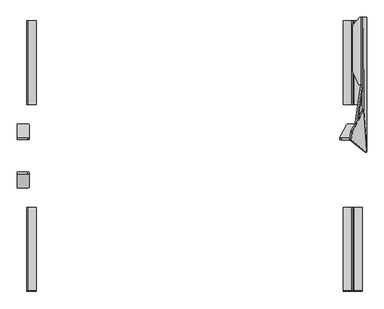
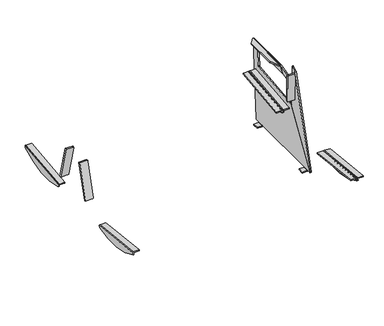
"""IFC4 building model written with IfcOpenShell, lengths in millimetres: furniture geometry."""

from ifc_helpers import new_model, si_unit, point, frame, frame_2d, origin, place, context, project, spatial, polyline, circle_curve, ellipse_curve, trimmed, segment, composite_curve, outline, extrude, source, transform, mapped, element, save
from ifc_brep_helpers import plane_surface, cylinder_surface, revolved_surface, advanced_brep


def furniture_98b977a5(model_context):
    return source(origin(), model_context, "Body", "SolidModel", [
        extrude(outline(composite_curve([segment(polyline([(-50.4131532, 0.0), (0.0, 0.0)]), True, "CONTINUOUS"), segment(trimmed(circle_curve(frame_2d((0.0, -8.0000001)), 8.0), [point((0.0, 0.0))], [point((7.9184089, -6.8603506))], False, "CARTESIAN"), True, "CONTINUOUS"), segment(polyline([(7.9184089, -6.8603506), (7.45034, -256.1095797)]), True, "CONTINUOUS"), segment(trimmed(circle_curve(frame_2d((-0.5496459, -256.0945564)), 8.0), [point((7.45034, -256.1095797))], [point((-0.5646692, -264.0945423))], False, "CARTESIAN"), True, "CONTINUOUS"), segment(polyline([(-0.5646692, -264.0945423), (-50.9089228, -264.0), (-50.4131532, 0.0)]), True, "CONTINUOUS")], self_intersect=False)), frame((-809.1212977, 506.2807973, 503.5014558), z_axis=(-0.0013631459484884157, 0.9642258427672697, 0.2650786033856215), x_axis=(0.9999973076401404, 0.0018121741131812883, -0.0014493920980689612)), (0.0, 0.0, 1.0), 8.5816086),
        extrude(outline(composite_curve([segment(polyline([(0.0, 0.0), (264.0004656, 0.0), (264.0004656, -50.3443424)]), True, "CONTINUOUS"), segment(trimmed(circle_curve(frame_2d((256.0004656, -50.3443424)), 8.0), [point((264.0004656, -50.3443424))], [point((256.0004656, -58.3443424))], False, "CARTESIAN"), True, "CONTINUOUS"), segment(polyline([(256.0004656, -58.3443424), (6.750797, -58.3443424)]), True, "CONTINUOUS"), segment(trimmed(circle_curve(frame_2d((7.9053145, -50.4280877)), 8.0), [point((6.750797, -58.3443424))], [point((-0.0946714, -50.4130643))], False, "CARTESIAN"), True, "CONTINUOUS"), segment(polyline([(-0.0946714, -50.4130643), (0.0, 0.0)]), True, "CONTINUOUS")], self_intersect=False)), frame((-859.5343152, 204.7655811, 503.5745242), z_axis=(-0.0013631459484884229, -0.9642258427672697, 0.2650786033856215), x_axis=(0.0, 0.265078849666105, 0.9642267386147796)), (0.0, 0.0, 1.0), 8.5816086),
        advanced_brep(
        [(755.0440225, 435.9391349, 757.8881152), (747.1427984, 438.3761853, 749.0639533), (783.301588, 504.0503298, 509.9877088), (791.2328587, 505.8544939, 503.3842593), (837.8982285, 505.7699279, 503.4518959), (800.2290396, 435.8572515, 757.9536062), (791.2451915, 514.5781595, 505.7825119), (783.3139208, 512.7739954, 512.3859614), (747.1551312, 447.0998509, 751.4622058), (755.0563553, 444.6628005, 760.2863677), (801.1905091, 444.5791971, 760.3532344), (838.8596981, 514.4918735, 505.8515241), (880.8633489, 372.9837171, 14.8944279), (881.5280215, 374.8544313, 11.2206695), (867.61676, 586.4127996, 409.5831251), (867.5760922, 586.0959716, 409.5484177), (866.2037222, 579.7045667, 413.8911008), (840.7909312, 532.5415564, 585.5886209), (840.7791117, 536.4031676, 590.6481205), (861.2994828, 682.484092, 590.4844823), (859.5577941, 708.971181, 640.3594265), (833.1217155, 520.6554233, 640.4138722), (832.2804167, 516.8962274, 643.2798026), (811.1014693, 477.5895695, 786.3705641), (810.120629, 472.7104158, 789.0752934), (806.2223905, 436.6873001, 778.499374), (806.2060941, 433.797321, 774.9426086), (872.9871313, 374.0891443, 14.0323223), (798.3298764, 434.9027483, 774.080503), (798.3461729, 437.7927273, 777.6372684), (802.2444113, 473.815843, 788.2131877), (803.2252516, 478.6949968, 785.5084585), (824.4041991, 518.0016547, 642.417697), (825.2454978, 521.7608506, 639.5517665), (851.6815764, 710.0766083, 639.4973209), (853.3932206, 684.0464283, 590.4827322), (832.653384, 536.4031676, 590.6481205), (832.6652035, 532.5415564, 585.5886209), (858.0779945, 579.7045667, 413.8911008), (859.4503645, 586.0959716, 409.5484177), (859.704087, 588.0726289, 409.7649535), (873.6518039, 375.9598585, 10.3585639)],
        [
            (0, 1, circle_curve(frame((755.0590458, 438.0597422, 750.1743095), z_axis=(-0.0013631459484884575, -0.9642258427672699, -0.26507860338562134), x_axis=(-0.14431455675225047, -0.2621142782788855, 0.9541852093968658)), 8.0)),
            (1, 2),
            (2, 3, circle_curve(frame((791.2178354, 503.7338866, 511.098065), z_axis=(-0.0013631459484884575, -0.9642258427672699, -0.26507860338562134), x_axis=(-0.14431455675225047, -0.2621142782788855, 0.9541852093968658)), 8.0)),
            (3, 4),
            (4, 5),
            (5, 0),
            (6, 7, circle_curve(frame((791.2301682, 512.4575522, 513.4963176), z_axis=(0.0013631459484884575, 0.9642258427672699, 0.26507860338562134), x_axis=(-0.14431455675225047, -0.2621142782788855, 0.9541852093968658)), 8.0)),
            (7, 8),
            (8, 9, circle_curve(frame((755.0713786, 446.7834078, 752.572562), z_axis=(0.0013631459484884575, 0.9642258427672699, 0.26507860338562134), x_axis=(-0.14431455675225047, -0.2621142782788855, 0.9541852093968658)), 8.0)),
            (9, 10),
            (10, 11),
            (11, 6),
            (0, 9),
            (8, 1),
            (7, 2),
            (6, 3),
            (11, 4),
            (5, 10),
            (12, 13, circle_curve(frame((881.4454916, 376.929862, 14.6358678), z_axis=(0.9845272064646956, -0.13817840671662612, 0.10776320173453142), x_axis=(0.10809843818608307, -0.005098251508800454, -0.9941271224009949)), 3.9972244)),
            (13, 14),
            (14, 15),
            (15, 16, ellipse_curve(frame((866.8370673, 585.4474378, 415.4685906), z_axis=(-0.9845272064646956, 0.13817840671662626, -0.10776320173453155), x_axis=(-0.17523178858535526, -0.7763454442639398, 0.6054598016712617)), 6.049187, 5.9555892)),
            (16, 17),
            (17, 18, ellipse_curve(frame((841.2163098, 536.3986868, 586.648123), z_axis=(-0.9845272064646956, 0.13817840671662626, -0.10776320173453155), x_axis=(-0.17523178858535526, -0.7763454442639398, 0.6054598016712617)), 4.0628639, 4.0)),
            (18, 19),
            (19, 20),
            (20, 21),
            (21, 22, circle_curve(frame((832.6950066, 520.7164752, 644.3905783), z_axis=(-0.9845272064646956, 0.13817840671662612, -0.10776320173453142), x_axis=(0.10809843818608307, -0.005098251508800454, -0.9941271224009949)), 4.0)),
            (22, 23),
            (23, 24, circle_curve(frame((810.6868794, 473.7693218, 785.2597883), z_axis=(0.9845272064646956, -0.13817840671662612, 0.10776320173453142), x_axis=(0.10809843818608307, -0.005098251508800454, -0.9941271224009949)), 4.0)),
            (24, 25),
            (25, 26, circle_curve(frame((806.788641, 437.7462061, 774.683869), z_axis=(0.9845272064646956, -0.13817840671662612, 0.10776320173453142), x_axis=(0.10809843818608307, -0.005098251508800454, -0.9941271224009949)), 4.0)),
            (26, 12),
            (27, 28),
            (28, 29, circle_curve(frame((798.9124233, 438.8516333, 773.8217633), z_axis=(-0.9845272064646956, 0.13817840671662612, -0.10776320173453142), x_axis=(0.10809843818608307, -0.005098251508800454, -0.9941271224009949)), 4.0)),
            (29, 30),
            (30, 31, circle_curve(frame((802.8106618, 474.8747491, 784.3976827), z_axis=(-0.9845272064646956, 0.13817840671662612, -0.10776320173453142), x_axis=(0.10809843818608307, -0.005098251508800454, -0.9941271224009949)), 4.0)),
            (31, 32),
            (32, 33, circle_curve(frame((824.8187889, 521.8219024, 643.5284727), z_axis=(0.9845272064646956, -0.13817840671662612, 0.10776320173453142), x_axis=(0.10809843818608307, -0.005098251508800454, -0.9941271224009949)), 4.0)),
            (33, 34),
            (34, 35),
            (35, 36),
            (36, 37, ellipse_curve(frame((833.0905821, 536.3986868, 586.648123), z_axis=(0.9845272064646956, -0.13817840671662626, 0.10776320173453155), x_axis=(-0.17523178858535526, -0.7763454442639398, 0.6054598016712617)), 4.0628639, 4.0)),
            (37, 38),
            (38, 39, ellipse_curve(frame((858.7113396, 585.4474378, 415.4685906), z_axis=(0.9845272064646956, -0.13817840671662626, 0.10776320173453155), x_axis=(-0.17523178858535526, -0.7763454442639398, 0.6054598016712617)), 6.049187, 5.9555892)),
            (39, 40),
            (40, 41),
            (41, 27, circle_curve(frame((873.5692739, 378.0352893, 13.7737622), z_axis=(-0.9845272064646956, 0.13817840671662612, -0.10776320173453142), x_axis=(0.10809843818608307, -0.005098251508800454, -0.9941271224009949)), 3.9972244)),
            (25, 29),
            (28, 26),
            (27, 12),
            (41, 13),
            (40, 14),
            (34, 20),
            (19, 35),
            (33, 21),
            (32, 22),
            (31, 23),
            (30, 24),
            (17, 37),
            (36, 18),
            (39, 15),
            (38, 16),
        ],
        [
            plane_surface(frame((753.9045293, 435.9628279, 757.8077911), z_axis=(-0.001363145948488416, -0.9642258427672699, -0.26507860338562156), x_axis=(-0.9895309245003536, 0.03955539485439854, -0.13879452509154708))),
            plane_surface(frame((753.9168621, 444.6864935, 760.2060437), z_axis=(0.001363145948488416, 0.9642258427672699, 0.26507860338562156), x_axis=(0.9895309245003536, -0.03955539485439854, 0.13879452509154708))),
            cylinder_surface(frame((755.0713786, 446.7834078, 752.572562), z_axis=(-0.0013631459484884575, -0.9642258427672699, -0.26507860338562134), x_axis=(-0.14431455675225047, -0.2621142782788855, 0.9541852093968658)), 8.0),
            plane_surface(frame((747.1427984, 438.3761853, 749.0639533), z_axis=(-0.9895309245003536, 0.03955539485439846, -0.1387945250915483), x_axis=(0.001363145948487992, 0.9642258427672696, 0.26507860338562167))),
            cylinder_surface(frame((791.2301682, 512.4575522, 513.4963176), z_axis=(-0.0013631459484884575, -0.9642258427672699, -0.26507860338562134), x_axis=(-0.14431455675225047, -0.2621142782788855, 0.9541852093968658)), 8.0),
            plane_surface(frame((791.2328587, 505.8544939, 503.3842593), z_axis=(0.001877909900275728, 0.26507591396566405, -0.9642257169821152), x_axis=(0.001363145948487992, 0.9642258427672696, 0.26507860338562167))),
            plane_surface(frame((803.1542615, 435.8519505, 757.957846), z_axis=(-0.001877909900271324, -0.26507591396566405, 0.9642257169821152), x_axis=(0.001363145948487992, 0.9642258427672696, 0.26507860338562167))),
            plane_surface(frame((881.8775853, 376.9094832, 10.6621186), z_axis=(0.9845272064646956, -0.13817840671662626, 0.10776320173453155), x_axis=(0.1379163057529902, 0.9903942324896726, 0.009917502641294951))),
            plane_surface(frame((874.0013676, 378.0149104, 9.800013), z_axis=(-0.9845272064646956, 0.13817840671662626, -0.10776320173453155), x_axis=(-0.1379163057529902, -0.9903942324896726, -0.009917502641294951))),
            cylinder_surface(frame((798.9124233, 438.8516333, 773.8217633), z_axis=(0.9845272064646956, -0.13817840671662612, 0.10776320173453142), x_axis=(0.10809843818608307, -0.005098251508800454, -0.9941271224009949)), 4.0),
            plane_surface(frame((806.2060941, 433.797321, 774.9426086), z_axis=(-0.14563671969423442, -0.9872212562883779, 0.06468490557386727), x_axis=(-0.9845272064646956, 0.13817840671662243, -0.10776320173453661))),
            cylinder_surface(frame((873.5692739, 378.0352893, 13.7737622), z_axis=(0.9845272064646956, -0.13817840671662612, 0.10776320173453142), x_axis=(0.10809843818608307, -0.005098251508800454, -0.9941271224009949)), 3.9972244),
            plane_surface(frame((881.5280215, 374.8544313, 11.2206695), z_axis=(0.17249891043919588, 0.872425040531916, -0.45729495355861444), x_axis=(-0.9845272064646962, 0.1381784067166225, -0.10776320173453191))),
            plane_surface(frame((859.5577941, 708.971181, 640.3594265), z_axis=(-0.10667723092490307, 0.015262962519211876, 0.9941765488972932), x_axis=(-0.9845272064646944, 0.13817840671663073, -0.10776320173453648))),
            revolved_surface(polyline([(825.251182622492, 521.8015093982107, 639.5519642070847), (833.1274003424797, 520.696082134896, 640.4140698284336)]), (824.8187889, 521.8219024, 643.5284727), (-0.9845272064646956, 0.13817840671662612, -0.10776320173453142)),
            plane_surface(frame((832.2804167, 516.8962274, 643.2798026), z_axis=(0.10364746347883977, 0.9550619256550327, 0.2776939348968641), x_axis=(-0.9845272064646956, 0.13817840671662243, -0.10776320173453661))),
            cylinder_surface(frame((802.8106618, 474.8747491, 784.3976827), z_axis=(0.9845272064646956, -0.13817840671662612, 0.10776320173453142), x_axis=(0.10809843818608307, -0.005098251508800454, -0.9941271224009949)), 4.0),
            plane_surface(frame((810.120629, 472.7104158, 789.0752934), z_axis=(-0.1415626146882469, -0.26472650457534347, 0.9538762518785903), x_axis=(-0.9845272064646956, 0.13817840671662243, -0.10776320173453661))),
            revolved_surface(polyline([(832.3786391920241, 540.3986868, 586.648123), (841.9282527079758, 540.3986868, 586.648123)]), (919.9232064, 536.3986868, 586.648123), (-1.0, 0.0, 0.0)),
            plane_surface(frame((812.6404131, 536.4031676, 590.6481205), z_axis=(0.0, -0.0011201877232388628, -0.9999993725895355), x_axis=(1.0, 0.0, 0.0))),
            plane_surface(frame((812.6404131, 992.0575716, 454.0200604), z_axis=(0.0, -0.10889498268372896, 0.994053259511939), x_axis=(1.0, 0.0, 0.0))),
            revolved_surface(polyline([(857.6513297425026, 591.403027, 415.4685906), (867.8970771574973, 591.403027, 415.4685906)]), (919.9232064, 585.4474378, 415.4685906), (-1.0, 0.0, 0.0)),
            plane_surface(frame((812.6404131, 579.7045667, 413.8911008), z_axis=(0.0, 0.9642826121585463, 0.2648755252730813), x_axis=(1.0, 0.0, 0.0))),
        ],
        [
            (0, [[1, 2, 3, 4, 5, 6]]),
            (1, [[7, 8, 9, 10, 11, 12]]),
            (2, [[-1, 13, -9, 14]]),
            (3, [[-2, -14, -8, 15]]),
            (4, [[-3, -15, -7, 16]]),
            (5, [[-16, -12, 17, -4]]),
            (6, [[-13, -6, 18, -10]]),
            (7, [[19, 20, 21, 22, 23, 24, 25, 26, 27, 28, 29, 30, 31, 32, 33]]),
            (8, [[34, 35, 36, 37, 38, 39, 40, 41, 42, 43, 44, 45, 46, 47, 48], [-5, -17, -11, -18]]),
            (9, [[-32, 49, -35, 50]]),
            (10, [[-33, -50, -34, 51]]),
            (11, [[-19, -51, -48, 52]]),
            (12, [[-52, -47, 53, -20]]),
            (12, [[54, -26, 55, -41]]),
            (13, [[-27, -54, -40, 56]]),
            (14, [[-28, -56, -39, 57]]),
            (15, [[-29, -57, -38, 58]]),
            (16, [[-30, -58, -37, 59]]),
            (17, [[-31, -59, -36, -49]]),
            (18, [[60, -43, 61, -24]]),
            (19, [[-61, -42, -55, -25]]),
            (20, [[62, -21, -53, -46]]),
            (21, [[-62, -45, 63, -22]]),
            (22, [[-60, -23, -63, -44]]),
        ],
    ),
        advanced_brep(
        [(812.5430123, 614.3955054, 347.1443157), (812.5430123, 1032.0535086, 392.7020678), (812.5430123, 1030.2988015, 408.7964286), (812.5430123, 612.6384188, 363.2605016), (806.5474184, 1032.0535086, 392.7020678), (806.5474184, 614.3955054, 347.1443157), (806.5474184, 613.1170209, 358.8707122), (806.5474184, 1030.7774035, 404.4066392), (805.5963377, 1030.6743217, 405.3521172), (766.5577736, 1030.6743217, 405.3521172), (766.5577736, 1029.8652657, 412.772865), (808.5430123, 1029.8652657, 412.772865), (808.5430123, 612.2048831, 367.236938), (766.5577736, 612.2048831, 367.236938), (766.5577736, 613.013939, 359.8161902), (805.5963377, 613.013939, 359.8161902)],
        [
            (0, 1, circle_curve(frame((812.5430123, 770.7220857, 851.2475639), z_axis=(1.0, 0.0, 0.0), x_axis=(0.0, 1.0, 0.0)), 527.7860216)),
            (1, 2),
            (2, 3),
            (3, 0),
            (4, 5, circle_curve(frame((806.5474184, 770.7220857, 851.2475639), z_axis=(-1.0, 0.0, 0.0), x_axis=(0.0, 1.0, 0.0)), 527.7860216)),
            (5, 6),
            (6, 7),
            (7, 4),
            (1, 4),
            (7, 8, circle_curve(frame((805.5963377, 1030.7774035, 404.4066392), z_axis=(0.0, -0.9941091089617909, -0.10838394474826071), x_axis=(0.0, 0.10838394474826071, -0.9941091089617909)), 0.9510807)),
            (8, 9),
            (9, 10),
            (10, 11),
            (11, 2, circle_curve(frame((808.5430123, 1030.2988015, 408.7964286), z_axis=(0.0, 0.9941091089617909, 0.10838394474826071), x_axis=(0.0, 0.10838394474826071, -0.9941091089617909)), 4.0)),
            (0, 5),
            (3, 12, circle_curve(frame((808.5430123, 612.6384188, 363.2605016), z_axis=(0.0, -0.9941091089617909, -0.10838394474826071), x_axis=(0.0, 0.10838394474826071, -0.9941091089617909)), 4.0)),
            (12, 13),
            (13, 14),
            (14, 15),
            (15, 6, circle_curve(frame((805.5963377, 613.1170209, 358.8707122), z_axis=(0.0, 0.9941091089617909, 0.10838394474826071), x_axis=(0.0, 0.10838394474826071, -0.9941091089617909)), 0.9510807)),
            (9, 14),
            (13, 10),
            (8, 15),
            (11, 12),
        ],
        [
            plane_surface(frame((812.5430123, 613.1510989, 358.5581456), z_axis=(1.0, 0.0, 0.0), x_axis=(0.0, -0.9941091089617913, -0.10838394474825762))),
            plane_surface(frame((806.5474184, 613.1510989, 358.5581456), z_axis=(-1.0, 0.0, 0.0), x_axis=(0.0, 0.9941091089617913, 0.10838394474825762))),
            plane_surface(frame((812.5430123, 1032.0535086, 392.7020678), z_axis=(0.0, 0.9941091089617909, 0.10838394474826071), x_axis=(-1.0, 0.0, 0.0))),
            cylinder_surface(frame((806.5474184, 770.7220857, 851.2475639), z_axis=(1.0, 0.0, 0.0), x_axis=(0.0, 1.0, 0.0)), 527.7860216),
            plane_surface(frame((812.5430123, 613.1510989, 358.5581456), z_axis=(0.0, -0.994109108961791, -0.10838394474826041), x_axis=(-1.0, 0.0, 0.0))),
            plane_surface(frame((766.5577736, 1030.6743217, 405.3521172), z_axis=(-1.0000000000000002, 0.0, 0.0), x_axis=(0.0, -0.994109108961791, -0.10838394474826069))),
            plane_surface(frame((805.5963377, 1030.6743217, 405.3521172), z_axis=(0.0, 0.10838394474826069, -0.994109108961791), x_axis=(0.0, -0.994109108961791, -0.10838394474826069))),
            revolved_surface(polyline([(805.5963377, 613.220102757714, 357.9252342105562), (805.5963377, 1030.8804854548553, 403.46116123677587)]), (805.5963377, 613.1170209, 358.8707122), (0.0, -0.9941091089617909, -0.10838394474826071)),
            cylinder_surface(frame((808.5430123, 612.6384188, 363.2605016), z_axis=(0.0, 0.9941091089617909, 0.10838394474826071), x_axis=(0.0, 0.10838394474826071, -0.9941091089617909)), 4.0),
            plane_surface(frame((766.5577736, 1029.8652657, 412.772865), z_axis=(0.0, -0.10838394474826069, 0.994109108961791), x_axis=(0.0, -0.994109108961791, -0.10838394474826069))),
        ],
        [
            (0, [[1, 2, 3, 4]]),
            (1, [[5, 6, 7, 8]]),
            (2, [[-2, 9, -8, 10, 11, 12, 13, 14]]),
            (3, [[-1, 15, -5, -9]]),
            (4, [[-6, -15, -4, 16, 17, 18, 19, 20]]),
            (5, [[-12, 21, -18, 22]]),
            (6, [[-11, 23, -19, -21]]),
            (7, [[-10, -7, -20, -23]]),
            (8, [[-14, 24, -16, -3]]),
            (9, [[-13, -22, -17, -24]]),
        ],
    ),
        advanced_brep(
        [(813.6175866, 1032.0535086, 392.7020678), (813.6175866, 614.3955054, 347.1443157), (813.6175866, 612.6552624, 363.1060105), (813.6175866, 1030.315645, 408.6419375), (819.6131806, 614.3955054, 347.1443157), (819.6131806, 1032.0535086, 392.7020678), (819.6131806, 1030.7774035, 404.4066392), (819.6131806, 613.1170209, 358.8707122), (817.6175866, 1029.8821093, 412.6183739), (859.6028254, 1029.8821093, 412.6183739), (859.6028254, 1030.6743217, 405.3521172), (820.5642613, 1030.6743217, 405.3521172), (820.5642613, 613.013939, 359.8161902), (859.6028254, 613.013939, 359.8161902), (859.6028254, 612.2217266, 367.0824469), (817.6175866, 612.2217266, 367.0824469)],
        [
            (0, 1, circle_curve(frame((813.6175866, 770.7220857, 851.2475639), z_axis=(-1.0, 0.0, 0.0), x_axis=(0.0, 1.0, 0.0)), 527.7860216)),
            (1, 2),
            (2, 3),
            (3, 0),
            (4, 5, circle_curve(frame((819.6131806, 770.7220857, 851.2475639), z_axis=(1.0, 0.0, 0.0), x_axis=(0.0, 1.0, 0.0)), 527.7860216)),
            (5, 6),
            (6, 7),
            (7, 4),
            (5, 0),
            (3, 8, circle_curve(frame((817.6175866, 1030.315645, 408.6419375), z_axis=(0.0, 0.9941091089617909, 0.10838394474826071), x_axis=(0.0, 0.10838394474826071, -0.9941091089617909)), 4.0)),
            (8, 9),
            (9, 10),
            (10, 11),
            (11, 6, circle_curve(frame((820.5642613, 1030.7774035, 404.4066392), z_axis=(0.0, -0.9941091089617909, -0.10838394474826071), x_axis=(0.0, 0.10838394474826071, -0.9941091089617909)), 0.9510807)),
            (4, 1),
            (7, 12, circle_curve(frame((820.5642613, 613.1170209, 358.8707122), z_axis=(0.0, 0.9941091089617909, 0.10838394474826071), x_axis=(0.0, 0.10838394474826071, -0.9941091089617909)), 0.9510807)),
            (12, 13),
            (13, 14),
            (14, 15),
            (15, 2, circle_curve(frame((817.6175866, 612.6552624, 363.1060105), z_axis=(0.0, -0.9941091089617909, -0.10838394474826071), x_axis=(0.0, 0.10838394474826071, -0.9941091089617909)), 4.0)),
            (9, 14),
            (13, 10),
            (12, 11),
            (15, 8),
        ],
        [
            plane_surface(frame((813.6175866, 1030.8114815, 404.0940726), z_axis=(-1.0, 0.0, 0.0), x_axis=(0.0, 0.10838394474826071, -0.9941091089617909))),
            plane_surface(frame((819.6131806, 1030.8114815, 404.0940726), z_axis=(1.0, 0.0, 0.0), x_axis=(0.0, -0.10838394474826071, 0.9941091089617909))),
            plane_surface(frame((813.6175866, 1030.8114815, 404.0940726), z_axis=(0.0, 0.9941091089617909, 0.10838394474826071), x_axis=(1.0, 0.0, 0.0))),
            cylinder_surface(frame((819.6131806, 770.7220857, 851.2475639), z_axis=(-1.0, 0.0, 0.0), x_axis=(0.0, 1.0, 0.0)), 527.7860216),
            plane_surface(frame((813.6175866, 614.3955054, 347.1443157), z_axis=(0.0, -0.994109108961791, -0.10838394474826041), x_axis=(1.0, 0.0, 0.0))),
            plane_surface(frame((859.6028254, 1029.8821093, 412.6183739), z_axis=(1.0000000000000002, 0.0, 0.0), x_axis=(0.0, -0.994109108961791, -0.10838394474826081))),
            plane_surface(frame((859.6028254, 1030.6743217, 405.3521172), z_axis=(0.0, 0.10838394474826064, -0.994109108961791), x_axis=(0.0, -0.994109108961791, -0.10838394474826064))),
            revolved_surface(polyline([(820.5642613, 613.220102757714, 357.9252342105562), (820.5642613, 1030.8804854548553, 403.46116123677587)]), (820.5642613, 613.1170209, 358.8707122), (0.0, -0.9941091089617909, -0.10838394474826071)),
            cylinder_surface(frame((817.6175866, 612.6552624, 363.1060105), z_axis=(0.0, 0.9941091089617909, 0.10838394474826071), x_axis=(0.0, 0.10838394474826071, -0.9941091089617909)), 4.0),
            plane_surface(frame((817.6175866, 1029.8821093, 412.6183739), z_axis=(0.0, -0.10838394474826081, 0.994109108961791), x_axis=(0.0, -0.994109108961791, -0.10838394474826081))),
        ],
        [
            (0, [[1, 2, 3, 4]]),
            (1, [[5, 6, 7, 8]]),
            (2, [[-6, 9, -4, 10, 11, 12, 13, 14]]),
            (3, [[-1, -9, -5, 15]]),
            (4, [[-2, -15, -8, 16, 17, 18, 19, 20]]),
            (5, [[-12, 21, -18, 22]]),
            (6, [[-13, -22, -17, 23]]),
            (7, [[-14, -23, -16, -7]]),
            (8, [[-10, -3, -20, 24]]),
            (9, [[-11, -24, -19, -21]]),
        ],
    ),
        advanced_brep(
        [(859.6028254, -318.9270883, 412.6183739), (817.6175866, -318.9270883, 412.6183739), (813.6175866, -319.360624, 408.6419375), (813.6175866, -319.8564605, 404.0940726), (813.6175866, -321.0984876, 392.7020678), (819.6131806, -321.0984876, 392.7020678), (819.6131806, -319.8223825, 404.4066392), (820.5642613, -319.7193007, 405.3521172), (859.6028254, -319.7193007, 405.3521172), (859.6028254, 98.7332944, 367.0824469), (859.6028254, 97.941082, 359.8161902), (820.5642613, 97.941082, 359.8161902), (819.6131806, 97.8380001, 358.8707122), (819.6131806, 96.5595156, 347.1443157), (813.6175866, 96.5595156, 347.1443157), (813.6175866, 97.8039221, 358.5581456), (813.6175866, 98.2997586, 363.1060105), (817.6175866, 98.7332944, 367.0824469)],
        [
            (0, 1),
            (1, 2, circle_curve(frame((817.6175866, -319.360624, 408.6419375), z_axis=(0.0, -0.9941091089617909, 0.10838394474826071), x_axis=(0.0, -0.10838394474826071, -0.9941091089617909)), 4.0)),
            (2, 3),
            (3, 4),
            (4, 5),
            (5, 6),
            (6, 7, circle_curve(frame((820.5642613, -319.8223825, 404.4066392), z_axis=(0.0, 0.9941091089617909, -0.10838394474826071), x_axis=(0.0, -0.10838394474826071, -0.9941091089617909)), 0.9510807)),
            (7, 8),
            (8, 0),
            (9, 10),
            (10, 11),
            (11, 12, circle_curve(frame((820.5642613, 97.8380001, 358.8707122), z_axis=(0.0, -0.9941091089617909, 0.10838394474826071), x_axis=(0.0, -0.10838394474826071, -0.9941091089617909)), 0.9510807)),
            (12, 13),
            (13, 14),
            (14, 15),
            (15, 16),
            (16, 17, circle_curve(frame((817.6175866, 98.2997586, 363.1060105), z_axis=(0.0, 0.9941091089617909, -0.10838394474826071), x_axis=(0.0, -0.10838394474826071, -0.9941091089617909)), 4.0)),
            (17, 9),
            (8, 10),
            (9, 0),
            (7, 11),
            (6, 12),
            (5, 13, circle_curve(frame((819.6131806, -59.7670647, 851.2475639), z_axis=(1.0, 0.0, 0.0), x_axis=(0.0, -1.0, 0.0)), 527.7860216)),
            (3, 15),
            (14, 4, circle_curve(frame((813.6175866, -59.7670647, 851.2475639), z_axis=(-1.0, 0.0, 0.0), x_axis=(0.0, -1.0, 0.0)), 527.7860216)),
            (2, 16),
            (1, 17),
        ],
        [
            plane_surface(frame((813.6175929, -318.9270883, 412.6183739), z_axis=(0.0, -0.9941091089617909, 0.10838394474826071), x_axis=(-1.0, 0.0, 0.0))),
            plane_surface(frame((813.6175929, 98.7332944, 367.0824469), z_axis=(0.0, 0.9941091089617909, -0.10838394474826071), x_axis=(1.0, 0.0, 0.0))),
            plane_surface(frame((859.6028254, -319.7193007, 405.3521172), z_axis=(1.0000000000000002, 0.0, 0.0), x_axis=(0.0, 0.994109108961791, -0.10838394474826066))),
            plane_surface(frame((820.5642613, -319.7193007, 405.3521172), z_axis=(0.0, -0.10838394474826066, -0.994109108961791), x_axis=(0.0, 0.994109108961791, -0.10838394474826066))),
            revolved_surface(polyline([(820.5642613, 97.73491824228601, 357.9252342105562), (820.5642613, -319.92546445485533, 403.46116123677587)]), (820.5642613, 97.8380001, 358.8707122), (0.0, 0.9941091089617909, -0.10838394474826071)),
            plane_surface(frame((819.6131806, -320.2027771, 400.9176199), z_axis=(1.0000000000000002, 0.0, 0.0), x_axis=(0.0, 0.994109108961791, -0.10838394474826066))),
            plane_surface(frame((813.6175866, -319.8564605, 404.0940726), z_axis=(-1.0000000000000002, 0.0, 0.0), x_axis=(0.0, 0.994109108961791, -0.10838394474826064))),
            plane_surface(frame((813.6175866, -319.360624, 408.6419375), z_axis=(-1.0000000000000002, 0.0, 0.0), x_axis=(0.0, 0.994109108961791, -0.10838394474826066))),
            cylinder_surface(frame((817.6175866, 98.2997586, 363.1060105), z_axis=(0.0, -0.9941091089617909, 0.10838394474826071), x_axis=(0.0, -0.10838394474826071, -0.9941091089617909)), 4.0),
            plane_surface(frame((859.6028254, -318.9270883, 412.6183739), z_axis=(0.0, 0.10838394474826066, 0.994109108961791), x_axis=(0.0, 0.994109108961791, -0.10838394474826066))),
            cylinder_surface(frame((819.6131806, -59.7670647, 851.2475639), z_axis=(-1.0, 0.0, 0.0), x_axis=(0.0, -1.0, 0.0)), 527.7860216),
        ],
        [
            (0, [[1, 2, 3, 4, 5, 6, 7, 8, 9]]),
            (1, [[10, 11, 12, 13, 14, 15, 16, 17, 18]]),
            (2, [[-9, 19, -10, 20]]),
            (3, [[-8, 21, -11, -19]]),
            (4, [[-7, 22, -12, -21]]),
            (5, [[-13, -22, -6, 23]]),
            (6, [[-4, 24, -15, 25]]),
            (7, [[-3, 26, -16, -24]]),
            (8, [[-2, 27, -17, -26]]),
            (9, [[-1, -20, -18, -27]]),
            (10, [[-25, -14, -23, -5]]),
        ],
    ),
        advanced_brep(
        [(766.5577736, -318.9102447, 412.772865), (766.5577736, -319.7193007, 405.3521172), (805.5963377, -319.7193007, 405.3521172), (806.5474184, -319.8223825, 404.4066392), (806.5474184, -321.0984876, 392.7020678), (812.5430123, -321.0984876, 392.7020678), (812.5430123, -319.8564605, 404.0940726), (812.5430123, -319.3437805, 408.7964286), (808.5430123, -318.9102447, 412.772865), (766.5577736, 98.750138, 367.236938), (808.5430123, 98.750138, 367.236938), (812.5430123, 98.3166022, 363.2605016), (812.5430123, 97.8039221, 358.5581456), (812.5430123, 96.5595156, 347.1443157), (806.5474184, 96.5595156, 347.1443157), (806.5474184, 97.8380001, 358.8707122), (805.5963377, 97.941082, 359.8161902), (766.5577736, 97.941082, 359.8161902)],
        [
            (0, 1),
            (1, 2),
            (2, 3, circle_curve(frame((805.5963377, -319.8223825, 404.4066392), z_axis=(0.0, 0.9941091089617909, -0.10838394474826071), x_axis=(0.0, -0.10838394474826071, -0.9941091089617909)), 0.9510807)),
            (3, 4),
            (4, 5),
            (5, 6),
            (6, 7),
            (7, 8, circle_curve(frame((808.5430123, -319.3437805, 408.7964286), z_axis=(0.0, -0.9941091089617909, 0.10838394474826071), x_axis=(0.0, -0.10838394474826071, -0.9941091089617909)), 4.0)),
            (8, 0),
            (9, 10),
            (10, 11, circle_curve(frame((808.5430123, 98.3166022, 363.2605016), z_axis=(0.0, 0.9941091089617909, -0.10838394474826071), x_axis=(0.0, -0.10838394474826071, -0.9941091089617909)), 4.0)),
            (11, 12),
            (12, 13),
            (13, 14),
            (14, 15),
            (15, 16, circle_curve(frame((805.5963377, 97.8380001, 358.8707122), z_axis=(0.0, -0.9941091089617909, 0.10838394474826071), x_axis=(0.0, -0.10838394474826071, -0.9941091089617909)), 0.9510807)),
            (16, 17),
            (17, 9),
            (0, 9),
            (17, 1),
            (16, 2),
            (15, 3),
            (14, 4, circle_curve(frame((806.5474184, -59.7670647, 851.2475639), z_axis=(-1.0, 0.0, 0.0), x_axis=(0.0, -1.0, 0.0)), 527.7860216)),
            (5, 13, circle_curve(frame((812.5430123, -59.7670647, 851.2475639), z_axis=(1.0, 0.0, 0.0), x_axis=(0.0, -1.0, 0.0)), 527.7860216)),
            (12, 6),
            (11, 7),
            (10, 8),
        ],
        [
            plane_surface(frame((766.5577736, -319.8423819, 404.223203), z_axis=(0.0, -0.9941091089617909, 0.10838394474826071), x_axis=(0.0, -0.10838394474826071, -0.9941091089617909))),
            plane_surface(frame((766.5577736, 97.8180007, 358.6872759), z_axis=(0.0, 0.9941091089617909, -0.10838394474826071), x_axis=(0.0, 0.10838394474826071, 0.9941091089617909))),
            plane_surface(frame((766.5577736, -318.9102447, 412.772865), z_axis=(-1.0000000000000002, 0.0, 0.0), x_axis=(0.0, 0.994109108961791, -0.10838394474826066))),
            plane_surface(frame((766.5577736, -319.7193007, 405.3521172), z_axis=(0.0, -0.10838394474826069, -0.994109108961791), x_axis=(0.0, 0.994109108961791, -0.10838394474826069))),
            revolved_surface(polyline([(805.5963377, 97.73491824228601, 357.9252342105562), (805.5963377, -319.92546445485533, 403.46116123677587)]), (805.5963377, 97.8380001, 358.8707122), (0.0, 0.9941091089617909, -0.10838394474826071)),
            plane_surface(frame((806.5474184, -319.8223825, 404.4066392), z_axis=(-1.0000000000000002, 0.0, 0.0), x_axis=(0.0, 0.994109108961791, -0.10838394474826064))),
            plane_surface(frame((812.5430123, -320.2027771, 400.9176199), z_axis=(1.0000000000000002, 0.0, 0.0), x_axis=(0.0, 0.994109108961791, -0.10838394474826066))),
            plane_surface(frame((812.5430123, -319.8564605, 404.0940726), z_axis=(1.0000000000000002, 0.0, 0.0), x_axis=(0.0, 0.994109108961791, -0.10838394474826066))),
            cylinder_surface(frame((808.5430123, 98.3166022, 363.2605016), z_axis=(0.0, -0.9941091089617909, 0.10838394474826071), x_axis=(0.0, -0.10838394474826071, -0.9941091089617909)), 4.0),
            plane_surface(frame((808.5430123, -318.9102447, 412.772865), z_axis=(0.0, 0.10838394474826066, 0.994109108961791), x_axis=(0.0, 0.994109108961791, -0.10838394474826066))),
            cylinder_surface(frame((806.5474184, -59.7670647, 851.2475639), z_axis=(1.0, 0.0, 0.0), x_axis=(0.0, -1.0, 0.0)), 527.7860216),
        ],
        [
            (0, [[1, 2, 3, 4, 5, 6, 7, 8, 9]]),
            (1, [[10, 11, 12, 13, 14, 15, 16, 17, 18]]),
            (2, [[-1, 19, -18, 20]]),
            (3, [[-2, -20, -17, 21]]),
            (4, [[-3, -21, -16, 22]]),
            (5, [[-4, -22, -15, 23]]),
            (6, [[-6, 24, -13, 25]]),
            (7, [[-7, -25, -12, 26]]),
            (8, [[-8, -26, -11, 27]]),
            (9, [[-9, -27, -10, -19]]),
            (10, [[-24, -5, -23, -14]]),
        ],
    ),
        advanced_brep(
        [(-812.5430123, 96.5595156, 347.1443157), (-812.5430123, -321.0984876, 392.7020678), (-812.5430123, -319.3233644, 408.9836866), (-812.5430123, 98.3370182, 363.4477596), (-806.5474184, -321.0984876, 392.7020678), (-806.5474184, 96.5595156, 347.1443157), (-806.5474184, 97.8380001, 358.8707122), (-806.5474184, -319.8223825, 404.4066392), (-805.5963377, -319.7193007, 405.3521172), (-766.5577736, -319.7193007, 405.3521172), (-766.5577736, -318.8898286, 412.9601231), (-808.5430123, -318.8898286, 412.9601231), (-808.5430123, 98.770554, 367.4241961), (-766.5577736, 98.770554, 367.4241961), (-766.5577736, 97.941082, 359.8161902), (-805.5963377, 97.941082, 359.8161902)],
        [
            (0, 1, circle_curve(frame((-812.5430123, -59.7670647, 851.2475639), z_axis=(-1.0, 0.0, 0.0), x_axis=(0.0, -1.0, 0.0)), 527.7860216)),
            (1, 2),
            (2, 3),
            (3, 0),
            (4, 5, circle_curve(frame((-806.5474184, -59.7670647, 851.2475639), z_axis=(1.0, 0.0, 0.0), x_axis=(0.0, -1.0, 0.0)), 527.7860216)),
            (5, 6),
            (6, 7),
            (7, 4),
            (1, 4),
            (7, 8, circle_curve(frame((-805.5963377, -319.8223825, 404.4066392), z_axis=(0.0, 0.9941091089617909, -0.10838394474826071), x_axis=(0.0, -0.10838394474826071, -0.9941091089617909)), 0.9510807)),
            (8, 9),
            (9, 10),
            (10, 11),
            (11, 2, circle_curve(frame((-808.5430123, -319.3233644, 408.9836866), z_axis=(0.0, -0.9941091089617909, 0.10838394474826071), x_axis=(0.0, -0.10838394474826071, -0.9941091089617909)), 4.0)),
            (0, 5),
            (3, 12, circle_curve(frame((-808.5430123, 98.3370182, 363.4477596), z_axis=(0.0, 0.9941091089617909, -0.10838394474826071), x_axis=(0.0, -0.10838394474826071, -0.9941091089617909)), 4.0)),
            (12, 13),
            (13, 14),
            (14, 15),
            (15, 6, circle_curve(frame((-805.5963377, 97.8380001, 358.8707122), z_axis=(0.0, -0.9941091089617909, 0.10838394474826071), x_axis=(0.0, -0.10838394474826071, -0.9941091089617909)), 0.9510807)),
            (9, 14),
            (13, 10),
            (8, 15),
            (11, 12),
        ],
        [
            plane_surface(frame((-812.5430123, 97.8039221, 358.5581456), z_axis=(-1.0, 0.0, 0.0), x_axis=(0.0, 0.9941091089617913, -0.10838394474825762))),
            plane_surface(frame((-806.5474184, 97.8039221, 358.5581456), z_axis=(1.0, 0.0, 0.0), x_axis=(0.0, -0.9941091089617913, 0.10838394474825762))),
            plane_surface(frame((-812.5430123, -321.0984876, 392.7020678), z_axis=(0.0, -0.9941091089617909, 0.10838394474826071), x_axis=(1.0, 0.0, 0.0))),
            cylinder_surface(frame((-806.5474184, -59.7670647, 851.2475639), z_axis=(-1.0, 0.0, 0.0), x_axis=(0.0, -1.0, 0.0)), 527.7860216),
            plane_surface(frame((-812.5430123, 97.8039221, 358.5581456), z_axis=(0.0, 0.9941091089617916, -0.10838394474825458), x_axis=(1.0, 0.0, 0.0))),
            plane_surface(frame((-766.5577736, -319.7193007, 405.3521172), z_axis=(1.0000000000000002, 0.0, 0.0), x_axis=(0.0, 0.994109108961791, -0.10838394474826069))),
            plane_surface(frame((-805.5963377, -319.7193007, 405.3521172), z_axis=(0.0, -0.10838394474826069, -0.994109108961791), x_axis=(0.0, 0.994109108961791, -0.10838394474826069))),
            revolved_surface(polyline([(-805.5963377, 97.73491824228601, 357.9252342105562), (-805.5963377, -319.92546445485533, 403.46116123677587)]), (-805.5963377, 97.8380001, 358.8707122), (0.0, 0.9941091089617909, -0.10838394474826071)),
            cylinder_surface(frame((-808.5430123, 98.3370182, 363.4477596), z_axis=(0.0, -0.9941091089617909, 0.10838394474826071), x_axis=(0.0, -0.10838394474826071, -0.9941091089617909)), 4.0),
            plane_surface(frame((-766.5577736, -318.8898286, 412.9601231), z_axis=(0.0, 0.10838394474826066, 0.994109108961791), x_axis=(0.0, 0.994109108961791, -0.10838394474826066))),
        ],
        [
            (0, [[1, 2, 3, 4]]),
            (1, [[5, 6, 7, 8]]),
            (2, [[-2, 9, -8, 10, 11, 12, 13, 14]]),
            (3, [[-1, 15, -5, -9]]),
            (4, [[-6, -15, -4, 16, 17, 18, 19, 20]]),
            (5, [[-12, 21, -18, 22]]),
            (6, [[-11, 23, -19, -21]]),
            (7, [[-10, -7, -20, -23]]),
            (8, [[-14, 24, -16, -3]]),
            (9, [[-13, -22, -17, -24]]),
        ],
    ),
        advanced_brep(
        [(-766.5577736, 1029.8448496, 412.9601231), (-766.5577736, 1030.6743217, 405.3521172), (-805.5963377, 1030.6743217, 405.3521172), (-806.5474184, 1030.7774035, 404.4066392), (-806.5474184, 1032.0535086, 392.7020678), (-812.5430123, 1032.0535086, 392.7020678), (-812.5430123, 1030.8114815, 404.0940726), (-812.5430123, 1030.2783854, 408.9836866), (-808.5430123, 1029.8448496, 412.9601231), (-766.5577736, 612.184467, 367.4241961), (-808.5430123, 612.184467, 367.4241961), (-812.5430123, 612.6180028, 363.4477596), (-812.5430123, 613.1510989, 358.5581456), (-812.5430123, 614.3955054, 347.1443157), (-806.5474184, 614.3955054, 347.1443157), (-806.5474184, 613.1170209, 358.8707122), (-805.5963377, 613.013939, 359.8161902), (-766.5577736, 613.013939, 359.8161902)],
        [
            (0, 1),
            (1, 2),
            (2, 3, circle_curve(frame((-805.5963377, 1030.7774035, 404.4066392), z_axis=(0.0, -0.9941091089617909, -0.10838394474826071), x_axis=(0.0, 0.10838394474826071, -0.9941091089617909)), 0.9510807)),
            (3, 4),
            (4, 5),
            (5, 6),
            (6, 7),
            (7, 8, circle_curve(frame((-808.5430123, 1030.2783854, 408.9836866), z_axis=(0.0, 0.9941091089617909, 0.10838394474826071), x_axis=(0.0, 0.10838394474826071, -0.9941091089617909)), 4.0)),
            (8, 0),
            (9, 10),
            (10, 11, circle_curve(frame((-808.5430123, 612.6180028, 363.4477596), z_axis=(0.0, -0.9941091089617909, -0.10838394474826071), x_axis=(0.0, 0.10838394474826071, -0.9941091089617909)), 4.0)),
            (11, 12),
            (12, 13),
            (13, 14),
            (14, 15),
            (15, 16, circle_curve(frame((-805.5963377, 613.1170209, 358.8707122), z_axis=(0.0, 0.9941091089617909, 0.10838394474826071), x_axis=(0.0, 0.10838394474826071, -0.9941091089617909)), 0.9510807)),
            (16, 17),
            (17, 9),
            (0, 9),
            (17, 1),
            (16, 2),
            (15, 3),
            (14, 4, circle_curve(frame((-806.5474184, 770.7220857, 851.2475639), z_axis=(1.0, 0.0, 0.0), x_axis=(0.0, 1.0, 0.0)), 527.7860216)),
            (5, 13, circle_curve(frame((-812.5430123, 770.7220857, 851.2475639), z_axis=(-1.0, 0.0, 0.0), x_axis=(0.0, 1.0, 0.0)), 527.7860216)),
            (12, 6),
            (11, 7),
            (10, 8),
        ],
        [
            plane_surface(frame((-766.5577736, 1030.7974029, 404.223203), z_axis=(0.0, 0.9941091089617909, 0.10838394474826073), x_axis=(0.0, 0.10838394474826073, -0.9941091089617909))),
            plane_surface(frame((-766.5577736, 613.1370203, 358.6872759), z_axis=(0.0, -0.9941091089617909, -0.10838394474826073), x_axis=(0.0, -0.10838394474826073, 0.9941091089617909))),
            plane_surface(frame((-766.5577736, 1029.8448496, 412.9601231), z_axis=(1.0000000000000002, 0.0, 0.0), x_axis=(0.0, -0.994109108961791, -0.10838394474826064))),
            plane_surface(frame((-766.5577736, 1030.6743217, 405.3521172), z_axis=(0.0, 0.10838394474826064, -0.994109108961791), x_axis=(0.0, -0.994109108961791, -0.10838394474826064))),
            revolved_surface(polyline([(-805.5963377, 613.220102757714, 357.9252342105562), (-805.5963377, 1030.8804854548553, 403.46116123677587)]), (-805.5963377, 613.1170209, 358.8707122), (0.0, -0.9941091089617909, -0.10838394474826071)),
            plane_surface(frame((-806.5474184, 1030.7774035, 404.4066392), z_axis=(1.0000000000000002, 0.0, 0.0), x_axis=(0.0, -0.994109108961791, -0.10838394474826064))),
            plane_surface(frame((-812.5430123, 1031.1577981, 400.9176199), z_axis=(-1.0000000000000002, 0.0, 0.0), x_axis=(0.0, -0.994109108961791, -0.10838394474826081))),
            plane_surface(frame((-812.5430123, 1030.8114815, 404.0940726), z_axis=(-1.0000000000000002, 0.0, 0.0), x_axis=(0.0, -0.994109108961791, -0.10838394474826064))),
            cylinder_surface(frame((-808.5430123, 612.6180028, 363.4477596), z_axis=(0.0, 0.9941091089617909, 0.10838394474826071), x_axis=(0.0, 0.10838394474826071, -0.9941091089617909)), 4.0),
            plane_surface(frame((-808.5430123, 1029.8448496, 412.9601231), z_axis=(0.0, -0.10838394474826064, 0.994109108961791), x_axis=(0.0, -0.994109108961791, -0.10838394474826064))),
            cylinder_surface(frame((-806.5474184, 770.7220857, 851.2475639), z_axis=(-1.0, 0.0, 0.0), x_axis=(0.0, 1.0, 0.0)), 527.7860216),
        ],
        [
            (0, [[1, 2, 3, 4, 5, 6, 7, 8, 9]]),
            (1, [[10, 11, 12, 13, 14, 15, 16, 17, 18]]),
            (2, [[-1, 19, -18, 20]]),
            (3, [[-2, -20, -17, 21]]),
            (4, [[-3, -21, -16, 22]]),
            (5, [[-4, -22, -15, 23]]),
            (6, [[-6, 24, -13, 25]]),
            (7, [[-7, -25, -12, 26]]),
            (8, [[-8, -26, -11, 27]]),
            (9, [[-9, -27, -10, -19]]),
            (10, [[-24, -5, -23, -14]]),
        ],
    ),
        advanced_brep(
        [(851.7778593, 1047.2775188, 630.7885173), (850.2766357, 1047.2775188, 632.2382321), (846.5946295, 1047.2775188, 632.2382321), (846.5946295, 1047.2775188, 640.3596516), (851.4436279, 1047.2775188, 640.3596516), (853.6895812, 1047.2775188, 640.3596516), (859.6494877, 1047.2775188, 634.6042367), (881.3120133, 1047.2775188, 14.2706676), (873.3168867, 1047.2775188, 13.9914716), (859.6494877, 710.955021, 634.6042367), (853.6895812, 710.955021, 640.3596516), (851.4436279, 710.955021, 640.3596516), (842.6377771, 710.955021, 640.3596516), (842.6377771, 710.955021, 632.2382321), (850.2766357, 710.955021, 632.2382321), (851.7778593, 710.955021, 630.7885173), (851.8212811, 710.955021, 629.5450788), (859.8164077, 710.955021, 629.8242748), (812.6404131, 775.8579308, 632.2382321), (812.6404131, 1009.5675412, 632.2382321), (812.6404131, 775.8579308, 640.3596516), (812.6404131, 1009.5675412, 640.3596516), (859.8164077, 703.328245, 629.8242748), (861.1901816, 682.4359884, 590.4845362), (861.2022765, 991.626389, 590.1381847), (861.3419594, 995.6219083, 586.1381898), (865.8167736, 995.6219916, 457.9962761), (865.9556261, 992.0575716, 454.0200604), (867.5075955, 586.3612074, 409.5774734), (881.4138659, 374.8756351, 11.3539925), (881.4516113, 377.6111261, 10.2731042), (881.4516113, 407.6111261, 10.2731042), (881.4516113, 447.6111261, 10.2731042), (881.4516113, 974.2989159, 10.2731042), (881.4516113, 1014.2989159, 10.2731042), (881.4516113, 1043.2775188, 10.2731042), (873.4564847, 1043.2775188, 9.9939083), (873.4564847, 1014.2989159, 9.9939083), (873.4886988, 1014.2989159, 9.0714168), (873.4886988, 974.2989159, 9.0714168), (873.4564847, 974.2989159, 9.9939083), (873.4564847, 447.6111261, 9.9939083), (873.4886988, 447.6111261, 9.0714168), (873.4886988, 407.6111261, 9.0714168), (873.4564847, 407.6111261, 9.9939083), (873.4564847, 377.6111261, 9.9939083), (873.4187392, 374.8756351, 11.0747965), (859.5021169, 586.5186397, 409.5947195), (857.9507498, 992.0575716, 454.0200604), (857.8118973, 995.6219916, 457.9962761), (853.337083, 995.6219083, 586.1381898), (853.1974001, 991.626389, 590.1381847), (853.1853111, 682.5841736, 590.4843702), (851.8212811, 703.328245, 629.5450788), (872.4540437, 1014.2989159, 8.0), (881.4516113, 1014.2989159, 8.2703475), (873.5140122, 1014.2989159, 0.0), (835.810356, 1014.2989159, 0.0), (835.810356, 1014.2989159, 8.0), (872.4540437, 974.2989159, 8.0), (835.810356, 974.2989159, 8.0), (835.810356, 974.2989159, 0.0), (873.5140122, 974.2989159, 0.0), (881.4516113, 974.2989159, 8.2703475), (872.4540437, 407.6111261, 8.0), (835.810356, 407.6111261, 8.0), (835.810356, 407.6111261, 0.0), (873.5140122, 407.6111261, 0.0), (881.4516113, 407.6111261, 8.2703475), (872.4540437, 447.6111261, 8.0), (881.4516113, 447.6111261, 8.2703475), (873.5140122, 447.6111261, 0.0), (835.810356, 447.6111261, 0.0), (835.810356, 447.6111261, 8.0)],
        [
            (0, 1, circle_curve(frame((850.2766357, 1047.2775188, 630.7360934), z_axis=(0.0, -1.0, 0.0), x_axis=(-1.0, 0.0, 0.0)), 1.5021387)),
            (1, 2),
            (2, 3),
            (3, 4),
            (4, 5),
            (5, 6, circle_curve(frame((853.6895812, 1047.2775188, 634.3961122), z_axis=(0.0, 1.0, 0.0), x_axis=(-1.0, 0.0, 0.0)), 5.9635394)),
            (6, 7),
            (7, 8),
            (8, 0),
            (9, 10, circle_curve(frame((853.6895812, 710.955021, 634.3961122), z_axis=(0.0, -1.0, 0.0), x_axis=(-1.0, 0.0, 0.0)), 5.9635394)),
            (10, 11),
            (11, 12),
            (12, 13),
            (13, 14),
            (14, 15, circle_curve(frame((850.2766357, 710.955021, 630.7360934), z_axis=(0.0, 1.0, 0.0), x_axis=(-1.0, 0.0, 0.0)), 1.5021387)),
            (15, 16),
            (16, 17),
            (17, 9),
            (1, 14),
            (13, 18),
            (18, 19),
            (19, 2),
            (18, 20),
            (20, 21),
            (21, 19),
            (11, 4),
            (3, 21),
            (20, 12),
            (10, 5),
            (6, 9),
            (17, 22),
            (22, 23),
            (23, 24),
            (24, 25, ellipse_curve(frame((861.3419595, 991.6219083, 586.1381872), z_axis=(-0.9993908270190961, 0.0, -0.03489949670249125), x_axis=(-0.03489949670248915, 0.0, 0.9993908270190963)), 4.0024382, 4.0)),
            (25, 26),
            (26, 27, ellipse_curve(frame((865.8167737, 991.6219916, 457.9962735), z_axis=(-0.9993908270190961, 0.0, -0.03489949670249125), x_axis=(-0.03489949670248915, 0.0, 0.9993908270190963)), 4.0024382, 4.0)),
            (27, 28),
            (28, 29),
            (29, 30, circle_curve(frame((881.3120088, 377.6111261, 14.2707962), z_axis=(0.9993908270190959, 0.0, 0.0348994967025008), x_axis=(0.0348994967025008, 0.0, -0.9993908270190959)), 4.0001287)),
            (30, 31),
            (31, 32),
            (32, 33),
            (33, 34),
            (34, 35),
            (35, 7, circle_curve(frame((881.3120133, 1043.2775188, 14.2706676), z_axis=(0.9993908270190959, 0.0, 0.0348994967025008), x_axis=(0.0348994967025008, 0.0, -0.9993908270190959)), 4.0)),
            (15, 0),
            (8, 36, circle_curve(frame((873.3168867, 1043.2775188, 13.9914716), z_axis=(-0.9993908270190959, 0.0, -0.0348994967025008), x_axis=(0.0348994967025008, 0.0, -0.9993908270190959)), 4.0)),
            (36, 37),
            (37, 38),
            (38, 39),
            (39, 40),
            (40, 41),
            (41, 42),
            (42, 43),
            (43, 44),
            (44, 45),
            (45, 46, circle_curve(frame((873.3168822, 377.6111261, 13.9916002), z_axis=(-0.9993908270190959, 0.0, -0.0348994967025008), x_axis=(0.0348994967025008, 0.0, -0.9993908270190959)), 4.0001287)),
            (46, 47),
            (47, 48),
            (48, 49, ellipse_curve(frame((857.8118974, 991.6219916, 457.9962735), z_axis=(0.9993908270190955, 0.0, 0.03489949670250719), x_axis=(-0.03489949670250501, 0.0, 0.9993908270190955)), 4.0024382, 4.0)),
            (49, 50),
            (50, 51, ellipse_curve(frame((853.3370831, 991.6219083, 586.1381872), z_axis=(0.9993908270190955, 0.0, 0.03489949670250719), x_axis=(-0.03489949670250501, 0.0, 0.9993908270190955)), 4.0024382, 4.0)),
            (51, 52),
            (52, 53),
            (53, 16),
            (22, 53),
            (52, 23),
            (46, 29),
            (28, 47),
            (45, 30),
            (44, 31),
            (36, 35),
            (34, 37),
            (40, 33),
            (32, 41),
            (54, 38, circle_curve(frame((872.4540437, 1014.2989159, 9.0352858), z_axis=(0.0, -1.0, 0.0), x_axis=(-1.0, 0.0, 0.0)), 1.0352858)),
            (34, 55),
            (55, 56, circle_curve(frame((873.1742893, 1014.2989159, 8.2703475), z_axis=(0.0, 1.0, 0.0), x_axis=(-1.0, 0.0, 0.0)), 8.277322)),
            (56, 57),
            (57, 58),
            (58, 54),
            (59, 60),
            (60, 61),
            (61, 62),
            (62, 63, circle_curve(frame((873.1742893, 974.2989159, 8.2703475), z_axis=(0.0, -1.0, 0.0), x_axis=(-1.0, 0.0, 0.0)), 8.277322)),
            (63, 33),
            (39, 59, circle_curve(frame((872.4540437, 974.2989159, 9.0352858), z_axis=(0.0, 1.0, 0.0), x_axis=(-1.0, 0.0, 0.0)), 1.0352858)),
            (54, 59),
            (56, 62),
            (61, 57),
            (60, 58),
            (63, 55),
            (64, 65),
            (65, 66),
            (66, 67),
            (67, 68, circle_curve(frame((873.1742893, 407.6111261, 8.2703475), z_axis=(0.0, -1.0, 0.0), x_axis=(-1.0, 0.0, 0.0)), 8.277322)),
            (68, 31),
            (43, 64, circle_curve(frame((872.4540437, 407.6111261, 9.0352858), z_axis=(0.0, 1.0, 0.0), x_axis=(-1.0, 0.0, 0.0)), 1.0352858)),
            (69, 42, circle_curve(frame((872.4540437, 447.6111261, 9.0352858), z_axis=(0.0, -1.0, 0.0), x_axis=(-1.0, 0.0, 0.0)), 1.0352858)),
            (32, 70),
            (70, 71, circle_curve(frame((873.1742893, 447.6111261, 8.2703475), z_axis=(0.0, 1.0, 0.0), x_axis=(-1.0, 0.0, 0.0)), 8.277322)),
            (71, 72),
            (72, 73),
            (73, 69),
            (69, 64),
            (66, 72),
            (71, 67),
            (65, 73),
            (68, 70),
            (51, 24),
            (50, 25),
            (49, 26),
            (48, 27),
        ],
        [
            plane_surface(frame((859.8862566, 1047.2775188, 627.8240627), z_axis=(0.0, 1.0, 0.0), x_axis=(0.03489949670249125, 0.0, -0.9993908270190961))),
            plane_surface(frame((859.8862566, 710.955021, 627.8240627), z_axis=(0.0, -1.0, 0.0), x_axis=(-0.03489949670249125, 0.0, 0.9993908270190961))),
            plane_surface(frame((850.2766357, 1047.2775188, 632.2382321), z_axis=(0.0, 0.0, -1.0), x_axis=(0.0, -1.0, 0.0))),
            plane_surface(frame((812.6404131, 1047.2775188, 632.2382321), z_axis=(-1.0, 0.0, 0.0), x_axis=(0.0, -1.0, 0.0))),
            plane_surface(frame((812.6404131, 1047.2775188, 640.3596516), z_axis=(0.0, 0.0, 1.0), x_axis=(0.0, -1.0, 0.0))),
            plane_surface(frame((851.4436279, 1047.2775188, 640.3596516), z_axis=(0.0, 0.0, 1.0), x_axis=(0.0, -1.0, 0.0))),
            plane_surface(frame((859.6494877, 1047.2775188, 634.6042367), z_axis=(0.9993908270190961, 0.0, 0.03489949670249125), x_axis=(0.0, -1.0, 0.0))),
            cylinder_surface(frame((853.6895812, 710.955021, 634.3961122), z_axis=(0.0, 1.0, 0.0), x_axis=(-1.0, 0.0, 0.0)), 5.9635394),
            plane_surface(frame((851.89113, 1047.2775188, 627.5448667), z_axis=(-0.9993908270190955, 0.0, -0.03489949670250719), x_axis=(0.0, -1.0, 0.0))),
            revolved_surface(polyline([(848.774497, 710.955021, 630.7360934), (848.774497, 1047.2775188, 630.7360934)]), (850.2766357, 710.955021, 630.7360934), (0.0, -1.0, 0.0)),
            plane_surface(frame((812.6418555, 775.8548101, 616.5713791), z_axis=(-0.9077348201474655, -0.419544391324504, 0.0), x_axis=(0.0, 0.0, 1.0))),
            plane_surface(frame((846.5946295, 1047.2775188, 616.5713791), z_axis=(-0.7431448254773957, 0.6691306063588567, 0.0), x_axis=(0.0, 0.0, 1.0))),
            plane_surface(frame((859.8164077, 703.328245, 629.8242748), z_axis=(-0.016361236819831444, -0.8832989769010682, 0.4685245215943898), x_axis=(-0.9993908270190955, 0.0, -0.034899496702506035))),
            cylinder_surface(frame((873.3168822, 377.6111261, 13.9916002), z_axis=(0.9993908270190959, 0.0, 0.0348994967025008), x_axis=(0.0348994967025008, 0.0, -0.9993908270190959)), 4.0001287),
            plane_surface(frame((881.4516113, 377.6111261, 10.2731042), z_axis=(0.03489949670248914, 0.0, -0.9993908270190962), x_axis=(-0.9993908270190962, 0.0, -0.03489949670248914))),
            cylinder_surface(frame((873.3168867, 1043.2775188, 13.9914716), z_axis=(0.9993908270190959, 0.0, 0.0348994967025008), x_axis=(0.0348994967025008, 0.0, -0.9993908270190959)), 4.0),
            plane_surface(frame((859.8164077, 1047.2775188, 629.8242748), z_axis=(-0.034899496702506035, 0.0, 0.9993908270190955), x_axis=(-0.9993908270190955, 0.0, -0.034899496702506035))),
            plane_surface(frame((871.4187578, 1014.2989159, 9.0352858), z_axis=(0.0, 1.0, 0.0), x_axis=(0.0, 0.0, -1.0))),
            plane_surface(frame((871.4187578, 974.2989159, 9.0352858), z_axis=(0.0, -1.0, 0.0), x_axis=(0.0, 0.0, 1.0))),
            revolved_surface(polyline([(871.4187579000001, 974.2989159, 9.0352858), (871.4187579000001, 1014.2989159, 9.0352858)]), (872.4540437, 974.2989159, 9.0352858), (0.0, -1.0, 0.0)),
            plane_surface(frame((873.5140122, 1014.2989159, 0.0), z_axis=(0.0, 0.0, -1.0), x_axis=(0.0, -1.0, 0.0))),
            plane_surface(frame((835.810356, 1014.2989159, 0.0), z_axis=(-1.0, 0.0, 0.0), x_axis=(0.0, -1.0, 0.0))),
            plane_surface(frame((835.810356, 1014.2989159, 8.0), z_axis=(0.0, 0.0, 1.0), x_axis=(0.0, -1.0, 0.0))),
            plane_surface(frame((881.4516113, 1014.2989159, 10.2731042), z_axis=(1.0, 0.0, 0.0), x_axis=(0.0, -1.0, 0.0))),
            cylinder_surface(frame((873.1742893, 974.2989159, 8.2703475), z_axis=(0.0, 1.0, 0.0), x_axis=(-1.0, 0.0, 0.0)), 8.277322),
            plane_surface(frame((835.810356, 407.6111261, 8.0), z_axis=(0.0, -1.0, 0.0), x_axis=(-1.0, 0.0, 0.0))),
            plane_surface(frame((835.810356, 447.6111261, 8.0), z_axis=(0.0, 1.0, 0.0), x_axis=(1.0, 0.0, 0.0))),
            revolved_surface(polyline([(871.4187579000001, 447.6111261, 9.0352858), (871.4187579000001, 407.6111261, 9.0352858)]), (872.4540437, 447.6111261, 9.0352858), (0.0, 1.0, 0.0)),
            plane_surface(frame((835.810356, 407.6111261, 0.0), z_axis=(0.0, 0.0, -1.0), x_axis=(0.0, 1.0, 0.0))),
            plane_surface(frame((835.810356, 407.6111261, 8.0), z_axis=(-1.0, 0.0, 0.0), x_axis=(0.0, 1.0, 0.0))),
            plane_surface(frame((872.4540437, 407.6111261, 8.0), z_axis=(0.0, 0.0, 1.0), x_axis=(0.0, 1.0, 0.0))),
            plane_surface(frame((881.4516113, 407.6111261, 8.2703475), z_axis=(1.0, 0.0, 0.0), x_axis=(0.0, 1.0, 0.0))),
            cylinder_surface(frame((873.1742893, 447.6111261, 8.2703475), z_axis=(0.0, -1.0, 0.0), x_axis=(-1.0, 0.0, 0.0)), 8.277322),
            plane_surface(frame((812.6404131, 536.4031676, 590.6481205), z_axis=(0.0, -0.0011201877232388628, -0.9999993725895355), x_axis=(1.0, 0.0, 0.0))),
            revolved_surface(polyline([(853.1974000212371, 995.6219083, 586.1381872), (861.4816425787628, 995.6219083, 586.1381872)]), (919.9232064, 991.6219083, 586.1381872), (-1.0, 0.0, 0.0)),
            plane_surface(frame((812.6404131, 995.6219083, 586.1381898), z_axis=(0.0, -0.9999999999997885, -6.504329975293946e-07), x_axis=(1.0, 0.0, 0.0))),
            revolved_surface(polyline([(857.6722143212371, 995.6219916, 457.9962735), (865.9564567787628, 995.6219916, 457.9962735)]), (919.9232064, 991.6219916, 457.9962735), (-1.0, 0.0, 0.0)),
            plane_surface(frame((812.6404131, 992.0575716, 454.0200604), z_axis=(0.0, -0.10889498268372896, 0.994053259511939), x_axis=(1.0, 0.0, 0.0))),
        ],
        [
            (0, [[1, 2, 3, 4, 5, 6, 7, 8, 9]]),
            (1, [[10, 11, 12, 13, 14, 15, 16, 17, 18]]),
            (2, [[19, -14, 20, 21, 22, -2]]),
            (3, [[-21, 23, 24, 25]]),
            (4, [[26, -4, 27, -24, 28, -12]]),
            (5, [[-5, -26, -11, 29]]),
            (6, [[30, -18, 31, 32, 33, 34, 35, 36, 37, 38, 39, 40, 41, 42, 43, 44, 45, -7]]),
            (7, [[-6, -29, -10, -30]]),
            (8, [[46, -9, 47, 48, 49, 50, 51, 52, 53, 54, 55, 56, 57, 58, 59, 60, 61, 62, 63, 64, 65, -16]]),
            (9, [[-1, -46, -15, -19]]),
            (10, [[-13, -28, -23, -20]]),
            (11, [[-3, -22, -25, -27]]),
            (12, [[66, -64, 67, -32]]),
            (12, [[68, -38, 69, -58]]),
            (13, [[-39, -68, -57, 70]]),
            (14, [[-70, -56, 71, -40]]),
            (14, [[72, -44, 73, -48]]),
            (14, [[74, -42, 75, -52]]),
            (15, [[-45, -72, -47, -8]]),
            (16, [[-66, -31, -17, -65]]),
            (17, [[76, -49, -73, 77, 78, 79, 80, 81]]),
            (18, [[82, 83, 84, 85, 86, -74, -51, 87]]),
            (19, [[-76, 88, -87, -50]]),
            (20, [[-79, 89, -84, 90]]),
            (21, [[-80, -90, -83, 91]]),
            (22, [[-81, -91, -82, -88]]),
            (23, [[-77, -43, -86, 92]]),
            (24, [[-78, -92, -85, -89]]),
            (25, [[93, 94, 95, 96, 97, -71, -55, 98]]),
            (26, [[99, -53, -75, 100, 101, 102, 103, 104]]),
            (27, [[-98, -54, -99, 105]]),
            (28, [[-95, 106, -102, 107]]),
            (29, [[-94, 108, -103, -106]]),
            (30, [[-93, -105, -104, -108]]),
            (31, [[-97, 109, -100, -41]]),
            (32, [[-96, -107, -101, -109]]),
            (33, [[110, -33, -67, -63]]),
            (34, [[-110, -62, 111, -34]]),
            (35, [[-111, -61, 112, -35]]),
            (36, [[-112, -60, 113, -36]]),
            (37, [[-113, -59, -69, -37]]),
        ],
    ),
    ])


if __name__ == "__main__":
    model = new_model("IFC4")
    model_context = context("Model", 3, world=origin())
    ifc_project = project(units=[si_unit("LENGTHUNIT", "METRE", prefix="MILLI")], contexts=[model_context])
    site = spatial("IfcSite", under=ifc_project)
    building = spatial("IfcBuilding", under=site)
    placement = place(None, origin())
    furniture_shape = furniture_98b977a5(model_context)
    element("IfcFurniture", 1, at=placement, inside=building, context=model_context, shape_type="MappedRepresentation", body=[
        mapped(furniture_shape, transform((0.0, 0.0, 0.0), x_axis=(1.0, 0.0, 0.0), y_axis=(0.0, 1.0, 0.0), z_axis=(0.0, 0.0, 1.0))),
    ])
    save(model, "model.ifc")
